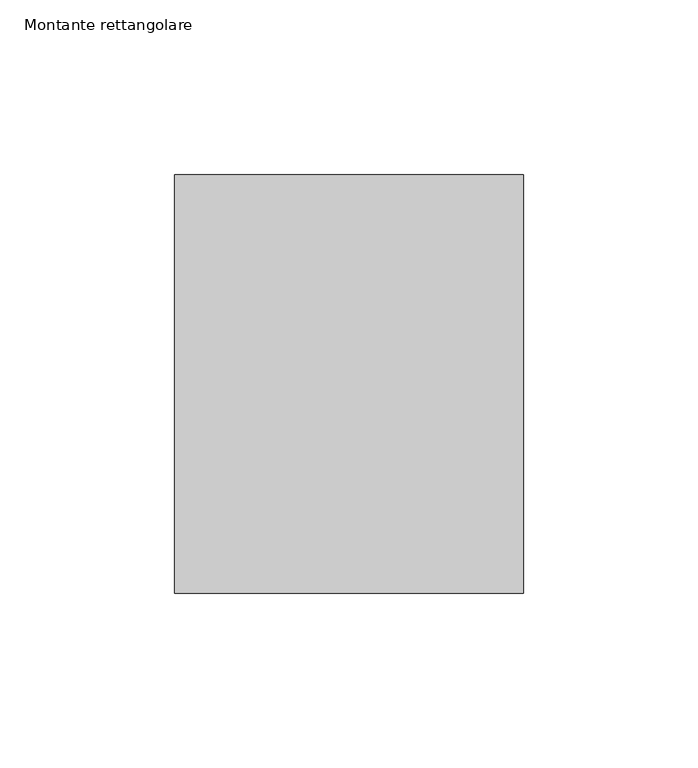
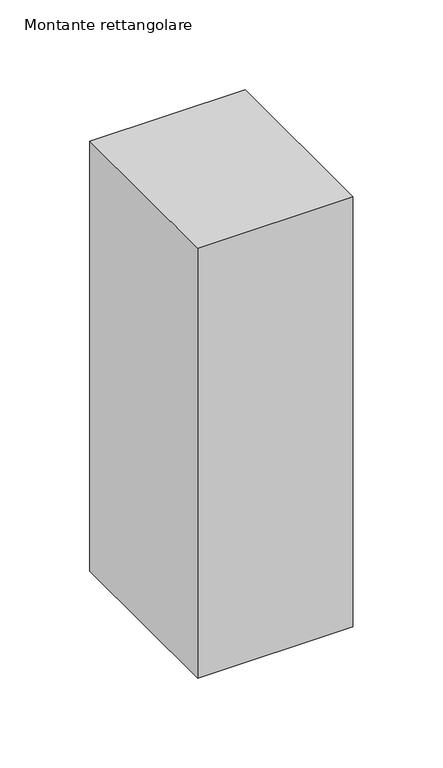
"""IFC4 building model written with IfcOpenShell, lengths in millimetres: member geometry, Montante rettangolare."""

from ifc_helpers import new_model, si_unit, frame, origin, place, context, project, spatial, polyline, outline, extrude, source, transform, mapped, element, save


def montante_rettangolare_9c0f2b50(model_context):
    return source(origin(), model_context, "Body", "SweptSolid", [
        extrude(outline(polyline([(50.0, 60.0), (50.0, -60.0), (-50.0, -60.0), (-50.0, 60.0), (50.0, 60.0)])), frame((0.0, 0.0, -292.3231501), z_axis=(0.0, 0.0, 1.0), x_axis=(1.0, 0.0, 0.0)), (0.0, 0.0, 1.0), 292.3231501),
    ])


if __name__ == "__main__":
    model = new_model("IFC4")
    model_context = context("Model", 3, world=origin())
    ifc_project = project(units=[si_unit("LENGTHUNIT", "METRE", prefix="MILLI")], contexts=[model_context])
    site = spatial("IfcSite", under=ifc_project)
    building = spatial("IfcBuilding", under=site)
    placement = place(None, origin())
    montante_rettangolare_shape = montante_rettangolare_9c0f2b50(model_context)
    element("IfcMember", 1, ObjectType="Montante rettangolare", at=placement, inside=building, context=model_context, shape_type="MappedRepresentation", body=[
        mapped(montante_rettangolare_shape, transform((0.0, 0.0, 0.0), x_axis=(1.0, 0.0, 0.0), y_axis=(0.0, 1.0, 0.0), z_axis=(0.0, 0.0, 1.0))),
    ])
    save(model, "model.ifc")
